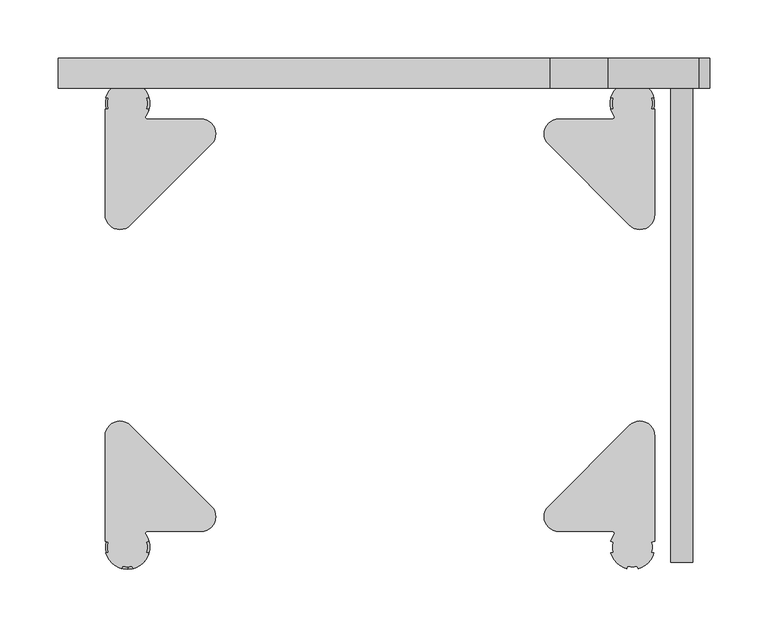
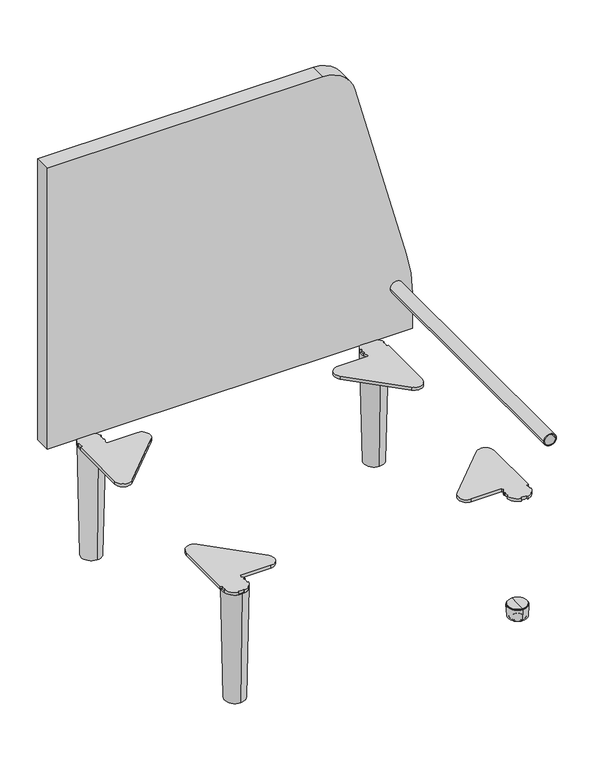
"""IFC4 building model written with IfcOpenShell, lengths in millimetres: furniture geometry."""

from ifc_helpers import new_model, si_unit, point, frame, frame_2d, origin, place, context, project, spatial, polyline, circle_curve, ellipse_curve, trimmed, segment, composite_curve, outline, extrude, source, transform, mapped, element, save
from ifc_brep_helpers import plane_surface, cylinder_surface, revolved_surface, advanced_brep


def furniture_c6473f84(model_context):
    return source(origin(), model_context, "Body", "SolidModel", [
        advanced_brep(
        [(-204.0789395, -176.715, 203.6953), (-158.06, -176.715, 203.6953), (-149.0797439, -155.0347439, 203.6953), (-218.2947439, -85.8197439, 203.6953), (-239.975, -94.8, 203.6953), (-239.975, -185.0280111, 203.6953), (-237.2041586, -185.739393, 203.6953), (-237.2041586, -194.360607, 203.6953), (-239.3445966, -194.9101401, 203.6953), (-225.7851401, -208.4695966, 203.6953), (-225.235607, -206.3291586, 203.6953), (-216.614393, -206.3291586, 203.6953), (-216.0648599, -208.4695966, 203.6953), (-202.5054034, -194.9101401, 203.6953), (-204.6458414, -194.360607, 203.6953), (-204.6458414, -185.739393, 203.6953), (-202.5054034, -185.1898599, 203.6953), (-205.3277049, -179.1125924, 203.6953), (-204.0789395, -176.715, 199.1233), (-205.3250129, -179.1107047, 199.1233), (-202.5054034, -185.1898599, 199.1233), (-204.6458414, -185.739393, 199.1233), (-204.6458414, -194.360607, 199.1233), (-202.5054034, -194.9101401, 199.1233), (-216.0648599, -208.4695966, 199.1233), (-216.614393, -206.3291586, 199.1233), (-225.235607, -206.3291586, 199.1233), (-225.7851401, -208.4695966, 199.1233), (-239.3445966, -194.9101401, 199.1233), (-237.2041586, -194.360607, 199.1233), (-237.2041586, -185.739393, 199.1233), (-239.975, -185.0280111, 199.1233), (-239.975, -94.8, 199.1233), (-218.2947439, -85.8197439, 199.1233), (-149.0797439, -155.0347439, 199.1233), (-158.06, -176.715, 199.1233)],
        [
            (0, 1),
            (1, 2, circle_curve(frame((-158.06, -164.015, 203.6953), z_axis=(0.0, 0.0, 1.0), x_axis=(-1.0, 0.0, 0.0)), 12.7)),
            (2, 3),
            (3, 4, circle_curve(frame((-227.275, -94.8, 203.6953), z_axis=(0.0, 0.0, 1.0), x_axis=(-1.0, 0.0, 0.0)), 12.7)),
            (4, 5),
            (5, 6),
            (6, 7, circle_curve(frame((-221.6361626, -190.05, 203.6953), z_axis=(0.0, 0.0, 1.0), x_axis=(-1.0, 0.0, 0.0)), 16.1537559)),
            (7, 8),
            (8, 9, circle_curve(frame((-220.925, -190.05, 203.6953), z_axis=(0.0, 0.0, 1.0), x_axis=(-1.0, 0.0, 0.0)), 19.05)),
            (9, 10),
            (10, 11, circle_curve(frame((-220.925, -190.4093804, 203.6953), z_axis=(0.0, 0.0, 1.0), x_axis=(-1.0, 0.0, 0.0)), 16.4930491)),
            (11, 12),
            (12, 13, circle_curve(frame((-220.925, -190.05, 203.6953), z_axis=(0.0, 0.0, 1.0), x_axis=(-1.0, 0.0, 0.0)), 19.05)),
            (13, 14),
            (14, 15, circle_curve(frame((-221.0125158, -190.05, 203.6953), z_axis=(0.0, 0.0, 1.0), x_axis=(-1.0, 0.0, 0.0)), 16.924815)),
            (15, 16),
            (16, 17, circle_curve(frame((-220.925, -190.05, 203.6953), z_axis=(0.0, 0.0, 1.0), x_axis=(-1.0, 0.0, 0.0)), 19.05)),
            (17, 0, circle_curve(frame((-204.0789395, -178.2369113, 203.6953), z_axis=(0.0, 0.0, -1.0), x_axis=(-1.0, 0.0, 0.0)), 1.5219113)),
            (18, 19, circle_curve(frame((-204.0789395, -178.2369113, 199.1233), z_axis=(0.0, 0.0, 1.0), x_axis=(-1.0, 0.0, 0.0)), 1.5219113)),
            (19, 20, circle_curve(frame((-220.925, -190.05, 199.1233), z_axis=(0.0, 0.0, -1.0), x_axis=(-1.0, 0.0, 0.0)), 19.05)),
            (20, 21),
            (21, 22, circle_curve(frame((-221.0125158, -190.05, 199.1233), z_axis=(0.0, 0.0, -1.0), x_axis=(-1.0, 0.0, 0.0)), 16.924815)),
            (22, 23),
            (23, 24, circle_curve(frame((-220.925, -190.05, 199.1233), z_axis=(0.0, 0.0, -1.0), x_axis=(-1.0, 0.0, 0.0)), 19.05)),
            (24, 25),
            (25, 26, circle_curve(frame((-220.925, -190.4093804, 199.1233), z_axis=(0.0, 0.0, -1.0), x_axis=(-1.0, 0.0, 0.0)), 16.4930491)),
            (26, 27),
            (27, 28, circle_curve(frame((-220.925, -190.05, 199.1233), z_axis=(0.0, 0.0, -1.0), x_axis=(-1.0, 0.0, 0.0)), 19.05)),
            (28, 29),
            (29, 30, circle_curve(frame((-221.6361626, -190.05, 199.1233), z_axis=(0.0, 0.0, -1.0), x_axis=(-1.0, 0.0, 0.0)), 16.1537559)),
            (30, 31),
            (31, 32),
            (32, 33, circle_curve(frame((-227.275, -94.8, 199.1233), z_axis=(0.0, 0.0, -1.0), x_axis=(-1.0, 0.0, 0.0)), 12.7)),
            (33, 34),
            (34, 35, circle_curve(frame((-158.06, -164.015, 199.1233), z_axis=(0.0, 0.0, -1.0), x_axis=(-1.0, 0.0, 0.0)), 12.7)),
            (35, 18),
            (0, 18),
            (35, 1),
            (34, 2),
            (33, 3),
            (32, 4),
            (31, 5),
            (30, 6),
            (29, 7),
            (28, 8),
            (27, 9),
            (26, 10),
            (25, 11),
            (24, 12),
            (23, 13),
            (22, 14),
            (21, 15),
            (20, 16),
            (19, 17),
        ],
        [
            plane_surface(frame((-158.06, -176.715, 203.6953), z_axis=(0.0, 0.0, 1.0), x_axis=(1.0, 0.0, 0.0))),
            plane_surface(frame((-158.06, -176.715, 199.1233), z_axis=(0.0, 0.0, -1.0), x_axis=(-1.0, 0.0, 0.0))),
            plane_surface(frame((-204.0789395, -176.715, 203.6953), z_axis=(0.0, -1.0, 0.0), x_axis=(0.0, 0.0, -1.0))),
            cylinder_surface(frame((-158.06, -164.015, 199.1233), z_axis=(0.0, 0.0, 1.0), x_axis=(-1.0, 0.0, 0.0)), 12.7),
            plane_surface(frame((-149.0797439, -155.0347439, 203.6953), z_axis=(0.7071067811865474, 0.7071067811865477, 0.0), x_axis=(0.0, 0.0, -1.0))),
            cylinder_surface(frame((-227.275, -94.8, 199.1233), z_axis=(0.0, 0.0, 1.0), x_axis=(-1.0, 0.0, 0.0)), 12.7),
            plane_surface(frame((-239.975, -94.8, 203.6953), z_axis=(-1.0, 0.0, 0.0), x_axis=(0.0, 0.0, -1.0))),
            plane_surface(frame((-239.975, -185.0280111, 203.6953), z_axis=(-0.24867374007676782, -0.968587306852734, 0.0), x_axis=(0.0, 0.0, -1.0))),
            cylinder_surface(frame((-221.6361626, -190.05, 199.1233), z_axis=(0.0, 0.0, 1.0), x_axis=(-1.0, 0.0, 0.0)), 16.1537559),
            plane_surface(frame((-237.2041586, -194.360607, 203.6953), z_axis=(-0.24867373997649506, 0.9685873068784778, 0.0), x_axis=(0.0, 0.0, -1.0))),
            cylinder_surface(frame((-220.925, -190.05, 199.1233), z_axis=(0.0, 0.0, 1.0), x_axis=(-1.0, 0.0, 0.0)), 19.05),
            plane_surface(frame((-225.7851401, -208.4695966, 203.6953), z_axis=(0.9685873068784918, -0.2486737399764409, 0.0), x_axis=(0.0, 0.0, -1.0))),
            cylinder_surface(frame((-220.925, -190.4093804, 199.1233), z_axis=(0.0, 0.0, 1.0), x_axis=(-1.0, 0.0, 0.0)), 16.4930491),
            plane_surface(frame((-216.614393, -206.3291586, 203.6953), z_axis=(-0.9685873068784806, -0.248673739976484, 0.0), x_axis=(0.0, 0.0, -1.0))),
            plane_surface(frame((-202.5054034, -194.9101401, 203.6953), z_axis=(0.248673739976484, 0.9685873068784806, 0.0), x_axis=(0.0, 0.0, -1.0))),
            cylinder_surface(frame((-221.0125158, -190.05, 199.1233), z_axis=(0.0, 0.0, 1.0), x_axis=(-1.0, 0.0, 0.0)), 16.924815),
            plane_surface(frame((-204.6458414, -185.739393, 203.6953), z_axis=(0.2486737399764877, -0.9685873068784797, 0.0), x_axis=(0.0, 0.0, -1.0))),
            revolved_surface(polyline([(-205.6008508, -178.2369113, 199.1233), (-205.6008508, -178.2369113, 203.6953)]), (-204.0789395, -178.2369113, 199.1233), (0.0, 0.0, -1.0)),
        ],
        [
            (0, [[1, 2, 3, 4, 5, 6, 7, 8, 9, 10, 11, 12, 13, 14, 15, 16, 17, 18]]),
            (1, [[19, 20, 21, 22, 23, 24, 25, 26, 27, 28, 29, 30, 31, 32, 33, 34, 35, 36]]),
            (2, [[-1, 37, -36, 38]]),
            (3, [[-2, -38, -35, 39]]),
            (4, [[-3, -39, -34, 40]]),
            (5, [[-4, -40, -33, 41]]),
            (6, [[-5, -41, -32, 42]]),
            (7, [[-6, -42, -31, 43]]),
            (8, [[-7, -43, -30, 44]]),
            (9, [[-8, -44, -29, 45]]),
            (10, [[-9, -45, -28, 46]]),
            (11, [[-10, -46, -27, 47]]),
            (12, [[-11, -47, -26, 48]]),
            (13, [[-12, -48, -25, 49]]),
            (10, [[-13, -49, -24, 50]]),
            (14, [[-14, -50, -23, 51]]),
            (15, [[-15, -51, -22, 52]]),
            (16, [[-16, -52, -21, 53]]),
            (10, [[-17, -53, -20, 54]]),
            (17, [[-18, -54, -19, -37]]),
        ],
    ),
        advanced_brep(
        [(-204.0789395, 176.715, 203.6953), (-205.3250129, 179.1107047, 203.6953), (-202.5054034, 185.1898599, 203.6953), (-204.6458414, 185.739393, 203.6953), (-204.6458414, 194.360607, 203.6953), (-202.5054034, 194.9101401, 203.6953), (-216.0648599, 208.4695966, 203.6953), (-216.614393, 206.3291586, 203.6953), (-225.235607, 206.3291586, 203.6953), (-225.7851401, 208.4695966, 203.6953), (-239.3445966, 194.9101401, 203.6953), (-237.2041586, 194.360607, 203.6953), (-237.2041586, 185.739393, 203.6953), (-239.975, 185.0280111, 203.6953), (-239.975, 94.8, 203.6953), (-218.2947439, 85.8197439, 203.6953), (-149.0797439, 155.0347439, 203.6953), (-158.06, 176.715, 203.6953), (-204.0789395, 176.715, 199.1233), (-158.06, 176.715, 199.1233), (-149.0797439, 155.0347439, 199.1233), (-218.2947439, 85.8197439, 199.1233), (-239.975, 94.8, 199.1233), (-239.975, 185.0280111, 199.1233), (-237.2041586, 185.739393, 199.1233), (-237.2041586, 194.360607, 199.1233), (-239.3445966, 194.9101401, 199.1233), (-225.7851401, 208.4695966, 199.1233), (-225.235607, 206.3291586, 199.1233), (-216.614393, 206.3291586, 199.1233), (-216.0648599, 208.4695966, 199.1233), (-202.5054034, 194.9101401, 199.1233), (-204.6458414, 194.360607, 199.1233), (-204.6458414, 185.739393, 199.1233), (-202.5054034, 185.1898599, 199.1233), (-205.3277049, 179.1125924, 199.1233)],
        [
            (0, 1, circle_curve(frame((-204.0789395, 178.2369113, 203.6953), z_axis=(0.0, 0.0, -1.0), x_axis=(-1.0, 0.0, 0.0)), 1.5219113)),
            (1, 2, circle_curve(frame((-220.925, 190.05, 203.6953), z_axis=(0.0, 0.0, 1.0), x_axis=(-1.0, 0.0, 0.0)), 19.05)),
            (2, 3),
            (3, 4, circle_curve(frame((-221.0125158, 190.05, 203.6953), z_axis=(0.0, 0.0, 1.0), x_axis=(-1.0, 0.0, 0.0)), 16.924815)),
            (4, 5),
            (5, 6, circle_curve(frame((-220.925, 190.05, 203.6953), z_axis=(0.0, 0.0, 1.0), x_axis=(-1.0, 0.0, 0.0)), 19.05)),
            (6, 7),
            (7, 8, circle_curve(frame((-220.925, 190.4093804, 203.6953), z_axis=(0.0, 0.0, 1.0), x_axis=(-1.0, 0.0, 0.0)), 16.4930491)),
            (8, 9),
            (9, 10, circle_curve(frame((-220.925, 190.05, 203.6953), z_axis=(0.0, 0.0, 1.0), x_axis=(-1.0, 0.0, 0.0)), 19.05)),
            (10, 11),
            (11, 12, circle_curve(frame((-221.6361626, 190.05, 203.6953), z_axis=(0.0, 0.0, 1.0), x_axis=(-1.0, 0.0, 0.0)), 16.1537559)),
            (12, 13),
            (13, 14),
            (14, 15, circle_curve(frame((-227.275, 94.8, 203.6953), z_axis=(0.0, 0.0, 1.0), x_axis=(-1.0, 0.0, 0.0)), 12.7)),
            (15, 16),
            (16, 17, circle_curve(frame((-158.06, 164.015, 203.6953), z_axis=(0.0, 0.0, 1.0), x_axis=(-1.0, 0.0, 0.0)), 12.7)),
            (17, 0),
            (18, 19),
            (19, 20, circle_curve(frame((-158.06, 164.015, 199.1233), z_axis=(0.0, 0.0, -1.0), x_axis=(-1.0, 0.0, 0.0)), 12.7)),
            (20, 21),
            (21, 22, circle_curve(frame((-227.275, 94.8, 199.1233), z_axis=(0.0, 0.0, -1.0), x_axis=(-1.0, 0.0, 0.0)), 12.7)),
            (22, 23),
            (23, 24),
            (24, 25, circle_curve(frame((-221.6361626, 190.05, 199.1233), z_axis=(0.0, 0.0, -1.0), x_axis=(-1.0, 0.0, 0.0)), 16.1537559)),
            (25, 26),
            (26, 27, circle_curve(frame((-220.925, 190.05, 199.1233), z_axis=(0.0, 0.0, -1.0), x_axis=(-1.0, 0.0, 0.0)), 19.05)),
            (27, 28),
            (28, 29, circle_curve(frame((-220.925, 190.4093804, 199.1233), z_axis=(0.0, 0.0, -1.0), x_axis=(-1.0, 0.0, 0.0)), 16.4930491)),
            (29, 30),
            (30, 31, circle_curve(frame((-220.925, 190.05, 199.1233), z_axis=(0.0, 0.0, -1.0), x_axis=(-1.0, 0.0, 0.0)), 19.05)),
            (31, 32),
            (32, 33, circle_curve(frame((-221.0125158, 190.05, 199.1233), z_axis=(0.0, 0.0, -1.0), x_axis=(-1.0, 0.0, 0.0)), 16.924815)),
            (33, 34),
            (34, 35, circle_curve(frame((-220.925, 190.05, 199.1233), z_axis=(0.0, 0.0, -1.0), x_axis=(-1.0, 0.0, 0.0)), 19.05)),
            (35, 18, circle_curve(frame((-204.0789395, 178.2369113, 199.1233), z_axis=(0.0, 0.0, 1.0), x_axis=(-1.0, 0.0, 0.0)), 1.5219113)),
            (17, 19),
            (18, 0),
            (16, 20),
            (15, 21),
            (14, 22),
            (13, 23),
            (12, 24),
            (11, 25),
            (10, 26),
            (9, 27),
            (8, 28),
            (7, 29),
            (6, 30),
            (5, 31),
            (4, 32),
            (3, 33),
            (2, 34),
            (1, 35),
        ],
        [
            plane_surface(frame((-205.6008508, 178.2369113, 203.6953), z_axis=(0.0, 0.0, 1.0), x_axis=(0.0, 1.0, 0.0))),
            plane_surface(frame((-205.6008508, 178.2369113, 199.1233), z_axis=(0.0, 0.0, -1.0), x_axis=(0.0, -1.0, 0.0))),
            plane_surface(frame((-158.06, 176.715, 203.6953), z_axis=(0.0, 1.0, 0.0), x_axis=(0.0, 0.0, -1.0))),
            cylinder_surface(frame((-158.06, 164.015, 199.1233), z_axis=(0.0, 0.0, 1.0), x_axis=(-1.0, 0.0, 0.0)), 12.7),
            plane_surface(frame((-218.2947439, 85.8197439, 203.6953), z_axis=(0.7071067811865474, -0.7071067811865477, 0.0), x_axis=(0.0, 0.0, -1.0))),
            cylinder_surface(frame((-227.275, 94.8, 199.1233), z_axis=(0.0, 0.0, 1.0), x_axis=(-1.0, 0.0, 0.0)), 12.7),
            plane_surface(frame((-239.975, 185.0280111, 203.6953), z_axis=(-1.0, 0.0, 0.0), x_axis=(0.0, 0.0, -1.0))),
            plane_surface(frame((-237.2041586, 185.739393, 203.6953), z_axis=(-0.24867374007676782, 0.968587306852734, 0.0), x_axis=(0.0, 0.0, -1.0))),
            cylinder_surface(frame((-221.6361626, 190.05, 199.1233), z_axis=(0.0, 0.0, 1.0), x_axis=(-1.0, 0.0, 0.0)), 16.1537559),
            plane_surface(frame((-239.3445966, 194.9101401, 203.6953), z_axis=(-0.24867373997649506, -0.9685873068784778, 0.0), x_axis=(0.0, 0.0, -1.0))),
            cylinder_surface(frame((-220.925, 190.05, 199.1233), z_axis=(0.0, 0.0, 1.0), x_axis=(-1.0, 0.0, 0.0)), 19.05),
            plane_surface(frame((-225.235607, 206.3291586, 203.6953), z_axis=(0.9685873068784918, 0.2486737399764409, 0.0), x_axis=(0.0, 0.0, -1.0))),
            cylinder_surface(frame((-220.925, 190.4093804, 199.1233), z_axis=(0.0, 0.0, 1.0), x_axis=(-1.0, 0.0, 0.0)), 16.4930491),
            plane_surface(frame((-216.0648599, 208.4695966, 203.6953), z_axis=(-0.9685873068784806, 0.248673739976484, 0.0), x_axis=(0.0, 0.0, -1.0))),
            plane_surface(frame((-204.6458414, 194.360607, 203.6953), z_axis=(0.248673739976484, -0.9685873068784806, 0.0), x_axis=(0.0, 0.0, -1.0))),
            cylinder_surface(frame((-221.0125158, 190.05, 199.1233), z_axis=(0.0, 0.0, 1.0), x_axis=(-1.0, 0.0, 0.0)), 16.924815),
            plane_surface(frame((-202.5054034, 185.1898599, 203.6953), z_axis=(0.2486737399764877, 0.9685873068784797, 0.0), x_axis=(0.0, 0.0, -1.0))),
            revolved_surface(polyline([(-205.6008508, 178.2369113, 199.1233), (-205.6008508, 178.2369113, 203.6953)]), (-204.0789395, 178.2369113, 199.1233), (0.0, 0.0, -1.0)),
        ],
        [
            (0, [[1, 2, 3, 4, 5, 6, 7, 8, 9, 10, 11, 12, 13, 14, 15, 16, 17, 18]]),
            (1, [[19, 20, 21, 22, 23, 24, 25, 26, 27, 28, 29, 30, 31, 32, 33, 34, 35, 36]]),
            (2, [[-18, 37, -19, 38]]),
            (3, [[-17, 39, -20, -37]]),
            (4, [[-16, 40, -21, -39]]),
            (5, [[-15, 41, -22, -40]]),
            (6, [[-14, 42, -23, -41]]),
            (7, [[-13, 43, -24, -42]]),
            (8, [[-12, 44, -25, -43]]),
            (9, [[-11, 45, -26, -44]]),
            (10, [[-10, 46, -27, -45]]),
            (11, [[-9, 47, -28, -46]]),
            (12, [[-8, 48, -29, -47]]),
            (13, [[-7, 49, -30, -48]]),
            (10, [[-6, 50, -31, -49]]),
            (14, [[-5, 51, -32, -50]]),
            (15, [[-4, 52, -33, -51]]),
            (16, [[-3, 53, -34, -52]]),
            (10, [[-2, 54, -35, -53]]),
            (17, [[-1, -38, -36, -54]]),
        ],
    ),
        advanced_brep(
        [(-220.6, -190.05, 199.1233), (-220.6, -171.1657041, 199.1233), (-220.6, -208.9342959, 199.1233), (-220.6, -174.801956, 21.4249), (-220.6, -205.298044, 21.4249), (-220.6, -190.05, 21.4249)],
        [
            (0, 1),
            (1, 2, circle_curve(frame((-220.6, -190.05, 199.1233), z_axis=(0.0, 0.0, 1.0), x_axis=(0.0, 1.0, 0.0)), 18.8842959)),
            (2, 0),
            (2, 1, circle_curve(frame((-220.6, -190.05, 199.1233), z_axis=(0.0, 0.0, 1.0), x_axis=(0.0, 1.0, 0.0)), 18.8842959)),
            (1, 3),
            (3, 4, circle_curve(frame((-220.6, -190.05, 21.4249), z_axis=(0.0, 0.0, 1.0), x_axis=(0.0, 1.0, 0.0)), 15.248044)),
            (4, 2),
            (4, 3, circle_curve(frame((-220.6, -190.05, 21.4249), z_axis=(0.0, 0.0, 1.0), x_axis=(0.0, 1.0, 0.0)), 15.248044)),
            (3, 5),
            (5, 4),
        ],
        [
            plane_surface(frame((-220.6, -190.05, 199.1233), z_axis=(0.0, 0.0, 1.0), x_axis=(0.0, 1.0, 0.0))),
            revolved_surface(polyline([(-220.6, -174.801956, 21.4249), (-220.6, -171.1657041, 199.1233)]), (-220.6, -190.05, 21.4249), (0.0, 0.0, 1.0)),
            plane_surface(frame((-220.6, -190.05, 21.4249), z_axis=(0.0, 0.0, -1.0), x_axis=(0.0, 1.0, 0.0))),
        ],
        [
            (0, [[1, 2, 3]]),
            (0, [[-3, 4, -1]]),
            (1, [[-2, 5, 6, 7]]),
            (1, [[-4, -7, 8, -5]]),
            (2, [[-6, 9, 10]]),
            (2, [[-8, -10, -9]]),
        ],
    ),
        advanced_brep(
        [(-220.6, 208.9342959, 199.1233), (-220.6, 171.1657041, 199.1233), (-220.6, 190.05, 199.1233), (-220.6, 205.298044, 21.4249), (-220.6, 174.801956, 21.4249), (-220.6, 190.05, 21.4249)],
        [
            (0, 1, circle_curve(frame((-220.6, 190.05, 199.1233), z_axis=(0.0, 0.0, 1.0), x_axis=(0.0, -1.0, 0.0)), 18.8842959)),
            (1, 2),
            (2, 0),
            (1, 0, circle_curve(frame((-220.6, 190.05, 199.1233), z_axis=(0.0, 0.0, 1.0), x_axis=(0.0, -1.0, 0.0)), 18.8842959)),
            (3, 4, circle_curve(frame((-220.6, 190.05, 21.4249), z_axis=(0.0, 0.0, 1.0), x_axis=(0.0, -1.0, 0.0)), 15.248044)),
            (4, 1),
            (0, 3),
            (4, 3, circle_curve(frame((-220.6, 190.05, 21.4249), z_axis=(0.0, 0.0, 1.0), x_axis=(0.0, -1.0, 0.0)), 15.248044)),
            (5, 4),
            (3, 5),
        ],
        [
            plane_surface(frame((-220.6, 190.05, 199.1233), z_axis=(0.0, 0.0, 1.0), x_axis=(0.0, -1.0, 0.0))),
            revolved_surface(polyline([(-220.6, 171.1657041, 199.1233), (-220.6, 174.801956, 21.4249)]), (-220.6, 190.05, 21.4249), (0.0, 0.0, -1.0)),
            plane_surface(frame((-220.6, 190.05, 21.4249), z_axis=(0.0, 0.0, -1.0), x_axis=(0.0, -1.0, 0.0))),
        ],
        [
            (0, [[1, 2, 3]]),
            (0, [[4, -3, -2]]),
            (1, [[5, 6, -1, 7]]),
            (1, [[8, -7, -4, -6]]),
            (2, [[9, -5, 10]]),
            (2, [[-10, -8, -9]]),
        ],
    ),
        advanced_brep(
        [(211.4, -190.05, 1.1063387), (211.4, -183.6209185, 1.1063387), (211.4, -196.4790815, 1.1063387), (211.4, -197.7517786, 0.0), (211.4, -182.3482214, 0.0), (211.4, -179.3507157, 0.0), (211.4, -200.7492843, 0.0), (211.4, -178.2285192, 1.1221965), (211.4, -201.8714808, 1.1221965), (211.4, -177.1720478, 2.38125), (211.4, -202.9279522, 2.38125), (211.4, -175.7859545, 2.38125), (211.4, -204.3140455, 2.38125), (211.4, -174.8608, 20.03425), (211.4, -205.2392, 20.03425), (211.4, -175.6626575, 20.03425), (211.4, -204.4373425, 20.03425), (211.4, -175.8580939, 21.4249), (211.4, -204.2419061, 21.4249), (211.4, -190.05, 21.4249)],
        [
            (0, 1),
            (1, 2, circle_curve(frame((211.4, -190.05, 1.1063387), z_axis=(0.0, 0.0, -1.0), x_axis=(0.0, 1.0, 0.0)), 6.4290815)),
            (2, 0),
            (2, 1, circle_curve(frame((211.4, -190.05, 1.1063387), z_axis=(0.0, 0.0, -1.0), x_axis=(0.0, 1.0, 0.0)), 6.4290815)),
            (3, 4, circle_curve(frame((211.4, -190.05, 0.0), z_axis=(0.0, 0.0, 1.0), x_axis=(0.0, 1.0, 0.0)), 7.7017786)),
            (4, 5),
            (5, 6, circle_curve(frame((211.4, -190.05, 0.0), z_axis=(0.0, 0.0, -1.0), x_axis=(0.0, 1.0, 0.0)), 10.6992843)),
            (6, 3),
            (4, 3, circle_curve(frame((211.4, -190.05, 0.0), z_axis=(0.0, 0.0, 1.0), x_axis=(0.0, 1.0, 0.0)), 7.7017786)),
            (6, 5, circle_curve(frame((211.4, -190.05, 0.0), z_axis=(0.0, 0.0, -1.0), x_axis=(0.0, 1.0, 0.0)), 10.6992843)),
            (5, 7, circle_curve(frame((211.4, -179.3507157, 1.1221965), z_axis=(1.0, 0.0, 0.0), x_axis=(0.0, 1.0, 0.0)), 1.1221965)),
            (7, 8, circle_curve(frame((211.4, -190.05, 1.1221965), z_axis=(0.0, 0.0, -1.0), x_axis=(0.0, 1.0, 0.0)), 11.8214808)),
            (8, 6, circle_curve(frame((211.4, -200.7492843, 1.1221965), z_axis=(1.0, 0.0, 0.0), x_axis=(0.0, -1.0, 0.0)), 1.1221965)),
            (8, 7, circle_curve(frame((211.4, -190.05, 1.1221965), z_axis=(0.0, 0.0, -1.0), x_axis=(0.0, 1.0, 0.0)), 11.8214808)),
            (7, 9, circle_curve(frame((211.4, -177.0588716, 1.2135148), z_axis=(-1.0, 0.0, 0.0), x_axis=(0.0, 1.0, 0.0)), 1.1732069)),
            (9, 10, circle_curve(frame((211.4, -190.05, 2.38125), z_axis=(0.0, 0.0, -1.0), x_axis=(0.0, 1.0, 0.0)), 12.8779522)),
            (10, 8, circle_curve(frame((211.4, -203.0411284, 1.2135148), z_axis=(-1.0, 0.0, 0.0), x_axis=(0.0, -1.0, 0.0)), 1.1732069)),
            (10, 9, circle_curve(frame((211.4, -190.05, 2.38125), z_axis=(0.0, 0.0, -1.0), x_axis=(0.0, 1.0, 0.0)), 12.8779522)),
            (9, 11),
            (11, 12, circle_curve(frame((211.4, -190.05, 2.38125), z_axis=(0.0, 0.0, -1.0), x_axis=(0.0, 1.0, 0.0)), 14.2640455)),
            (12, 10),
            (12, 11, circle_curve(frame((211.4, -190.05, 2.38125), z_axis=(0.0, 0.0, -1.0), x_axis=(0.0, 1.0, 0.0)), 14.2640455)),
            (11, 13),
            (13, 14, circle_curve(frame((211.4, -190.05, 20.03425), z_axis=(0.0, 0.0, -1.0), x_axis=(0.0, 1.0, 0.0)), 15.1892)),
            (14, 12),
            (14, 13, circle_curve(frame((211.4, -190.05, 20.03425), z_axis=(0.0, 0.0, -1.0), x_axis=(0.0, 1.0, 0.0)), 15.1892)),
            (1, 4, circle_curve(frame((211.4, -182.0885284, 1.5839472), z_axis=(1.0, 0.0, 0.0), x_axis=(0.0, 1.0, 0.0)), 1.6050948)),
            (3, 2, circle_curve(frame((211.4, -198.0114716, 1.5839472), z_axis=(1.0, 0.0, 0.0), x_axis=(0.0, -1.0, 0.0)), 1.6050948)),
            (13, 15),
            (15, 16, circle_curve(frame((211.4, -190.05, 20.03425), z_axis=(0.0, 0.0, -1.0), x_axis=(0.0, 1.0, 0.0)), 14.3873425)),
            (16, 14),
            (16, 15, circle_curve(frame((211.4, -190.05, 20.03425), z_axis=(0.0, 0.0, -1.0), x_axis=(0.0, 1.0, 0.0)), 14.3873425)),
            (15, 17),
            (17, 18, circle_curve(frame((211.4, -190.05, 21.4249), z_axis=(0.0, 0.0, -1.0), x_axis=(0.0, 1.0, 0.0)), 14.1919061)),
            (18, 16),
            (18, 17, circle_curve(frame((211.4, -190.05, 21.4249), z_axis=(0.0, 0.0, -1.0), x_axis=(0.0, 1.0, 0.0)), 14.1919061)),
            (17, 19),
            (19, 18),
        ],
        [
            plane_surface(frame((211.4, -190.05, 1.1063387), z_axis=(0.0, 0.0, -1.0), x_axis=(0.0, 1.0, 0.0))),
            plane_surface(frame((211.4, -190.05, 0.0), z_axis=(0.0, 0.0, -1.0), x_axis=(0.0, 1.0, 0.0))),
            revolved_surface(trimmed(ellipse_curve(frame((211.4, -179.3507157, 1.1221965), z_axis=(-1.0, 0.0, 0.0), x_axis=(0.0, 1.0, 0.0)), 1.1221965, 1.1221965), [point((211.4, -178.2285192, 1.1221965))], [point((211.4, -179.3507157, 0.0))], True, "CARTESIAN"), (211.4, -190.05, -21.4985456), (0.0, 0.0, -1.0)),
            revolved_surface(trimmed(ellipse_curve(frame((211.4, -177.0588716, 1.2135148), z_axis=(1.0, 0.0, 0.0), x_axis=(0.0, 1.0, 0.0)), 1.1732069, 1.1732069), [point((211.4, -177.1720478, 2.38125))], [point((211.4, -178.2285192, 1.1221965))], True, "CARTESIAN"), (211.4, -190.05, -21.4985456), (0.0, 0.0, -1.0)),
            plane_surface(frame((211.4, -190.05, 2.38125), z_axis=(0.0, 0.0, -1.0), x_axis=(0.0, 1.0, 0.0))),
            revolved_surface(polyline([(211.4, -174.8608, 20.03425), (211.4, -175.7859545, 2.38125)]), (211.4, -190.05, -21.4985456), (0.0, 0.0, -1.0)),
            revolved_surface(trimmed(ellipse_curve(frame((211.4, -182.0885284, 1.5839472), z_axis=(-1.0, 0.0, 0.0), x_axis=(0.0, 1.0, 0.0)), 1.6050948, 1.6050948), [point((211.4, -182.3482214, 0.0))], [point((211.4, -183.6209185, 1.1063387))], True, "CARTESIAN"), (211.4, -190.05, -21.4985456), (0.0, 0.0, -1.0)),
            plane_surface(frame((211.4, -190.05, 20.03425), z_axis=(0.0, 0.0, 1.0), x_axis=(0.0, 1.0, 0.0))),
            revolved_surface(polyline([(211.4, -175.8580939, 21.4249), (211.4, -175.6626575, 20.03425)]), (211.4, -190.05, -21.4985456), (0.0, 0.0, -1.0)),
            plane_surface(frame((211.4, -190.05, 21.4249), z_axis=(0.0, 0.0, 1.0), x_axis=(0.0, 1.0, 0.0))),
        ],
        [
            (0, [[1, 2, 3]]),
            (0, [[-3, 4, -1]]),
            (1, [[5, 6, 7, 8]]),
            (1, [[9, -8, 10, -6]]),
            (2, [[-7, 11, 12, 13]]),
            (2, [[-10, -13, 14, -11]]),
            (3, [[-12, 15, 16, 17]]),
            (3, [[-14, -17, 18, -15]]),
            (4, [[-16, 19, 20, 21]]),
            (4, [[-18, -21, 22, -19]]),
            (5, [[-20, 23, 24, 25]]),
            (5, [[-22, -25, 26, -23]]),
            (6, [[-2, 27, -5, 28]]),
            (6, [[-4, -28, -9, -27]]),
            (7, [[-24, 29, 30, 31]]),
            (7, [[-26, -31, 32, -29]]),
            (8, [[-30, 33, 34, 35]]),
            (8, [[-32, -35, 36, -33]]),
            (9, [[-34, 37, 38]]),
            (9, [[-36, -38, -37]]),
        ],
    ),
        advanced_brep(
        [(194.5539395, -176.715, 203.6953), (195.8000129, -179.1107047, 203.6953), (192.9804034, -185.1898599, 203.6953), (195.1208414, -185.739393, 203.6953), (195.1208414, -194.360607, 203.6953), (192.9804034, -194.9101401, 203.6953), (206.5398599, -208.4695966, 203.6953), (207.089393, -206.3291586, 203.6953), (215.710607, -206.3291586, 203.6953), (216.2601401, -208.4695966, 203.6953), (229.8195966, -194.9101401, 203.6953), (227.6791586, -194.360607, 203.6953), (227.6791586, -185.739393, 203.6953), (230.45, -185.0280111, 203.6953), (230.45, -94.8, 203.6953), (208.7697439, -85.8197439, 203.6953), (139.5547439, -155.0347439, 203.6953), (148.535, -176.715, 203.6953), (194.5539395, -176.715, 199.1233), (148.535, -176.715, 199.1233), (139.5547439, -155.0347439, 199.1233), (208.7697439, -85.8197439, 199.1233), (230.45, -94.8, 199.1233), (230.45, -185.0280111, 199.1233), (227.6791586, -185.739393, 199.1233), (227.6791586, -194.360607, 199.1233), (229.8195966, -194.9101401, 199.1233), (216.2601401, -208.4695966, 199.1233), (215.710607, -206.3291586, 199.1233), (207.089393, -206.3291586, 199.1233), (206.5398599, -208.4695966, 199.1233), (192.9804034, -194.9101401, 199.1233), (195.1208414, -194.360607, 199.1233), (195.1208414, -185.739393, 199.1233), (192.9804034, -185.1898599, 199.1233), (195.8027049, -179.1125924, 199.1233)],
        [
            (0, 1, circle_curve(frame((194.5539395, -178.2369113, 203.6953), z_axis=(0.0, 0.0, -1.0), x_axis=(1.0, 0.0, 0.0)), 1.5219113)),
            (1, 2, circle_curve(frame((211.4, -190.05, 203.6953), z_axis=(0.0, 0.0, 1.0), x_axis=(1.0, 0.0, 0.0)), 19.05)),
            (2, 3),
            (3, 4, circle_curve(frame((211.4875158, -190.05, 203.6953), z_axis=(0.0, 0.0, 1.0), x_axis=(1.0, 0.0, 0.0)), 16.924815)),
            (4, 5),
            (5, 6, circle_curve(frame((211.4, -190.05, 203.6953), z_axis=(0.0, 0.0, 1.0), x_axis=(1.0, 0.0, 0.0)), 19.05)),
            (6, 7),
            (7, 8, circle_curve(frame((211.4, -190.4093804, 203.6953), z_axis=(0.0, 0.0, 1.0), x_axis=(1.0, 0.0, 0.0)), 16.4930491)),
            (8, 9),
            (9, 10, circle_curve(frame((211.4, -190.05, 203.6953), z_axis=(0.0, 0.0, 1.0), x_axis=(1.0, 0.0, 0.0)), 19.05)),
            (10, 11),
            (11, 12, circle_curve(frame((212.1111626, -190.05, 203.6953), z_axis=(0.0, 0.0, 1.0), x_axis=(1.0, 0.0, 0.0)), 16.1537559)),
            (12, 13),
            (13, 14),
            (14, 15, circle_curve(frame((217.75, -94.8, 203.6953), z_axis=(0.0, 0.0, 1.0), x_axis=(1.0, 0.0, 0.0)), 12.7)),
            (15, 16),
            (16, 17, circle_curve(frame((148.535, -164.015, 203.6953), z_axis=(0.0, 0.0, 1.0), x_axis=(1.0, 0.0, 0.0)), 12.7)),
            (17, 0),
            (18, 19),
            (19, 20, circle_curve(frame((148.535, -164.015, 199.1233), z_axis=(0.0, 0.0, -1.0), x_axis=(1.0, 0.0, 0.0)), 12.7)),
            (20, 21),
            (21, 22, circle_curve(frame((217.75, -94.8, 199.1233), z_axis=(0.0, 0.0, -1.0), x_axis=(1.0, 0.0, 0.0)), 12.7)),
            (22, 23),
            (23, 24),
            (24, 25, circle_curve(frame((212.1111626, -190.05, 199.1233), z_axis=(0.0, 0.0, -1.0), x_axis=(1.0, 0.0, 0.0)), 16.1537559)),
            (25, 26),
            (26, 27, circle_curve(frame((211.4, -190.05, 199.1233), z_axis=(0.0, 0.0, -1.0), x_axis=(1.0, 0.0, 0.0)), 19.05)),
            (27, 28),
            (28, 29, circle_curve(frame((211.4, -190.4093804, 199.1233), z_axis=(0.0, 0.0, -1.0), x_axis=(1.0, 0.0, 0.0)), 16.4930491)),
            (29, 30),
            (30, 31, circle_curve(frame((211.4, -190.05, 199.1233), z_axis=(0.0, 0.0, -1.0), x_axis=(1.0, 0.0, 0.0)), 19.05)),
            (31, 32),
            (32, 33, circle_curve(frame((211.4875158, -190.05, 199.1233), z_axis=(0.0, 0.0, -1.0), x_axis=(1.0, 0.0, 0.0)), 16.924815)),
            (33, 34),
            (34, 35, circle_curve(frame((211.4, -190.05, 199.1233), z_axis=(0.0, 0.0, -1.0), x_axis=(1.0, 0.0, 0.0)), 19.05)),
            (35, 18, circle_curve(frame((194.5539395, -178.2369113, 199.1233), z_axis=(0.0, 0.0, 1.0), x_axis=(1.0, 0.0, 0.0)), 1.5219113)),
            (17, 19),
            (18, 0),
            (16, 20),
            (15, 21),
            (14, 22),
            (13, 23),
            (12, 24),
            (11, 25),
            (10, 26),
            (9, 27),
            (8, 28),
            (7, 29),
            (6, 30),
            (5, 31),
            (4, 32),
            (3, 33),
            (2, 34),
            (1, 35),
        ],
        [
            plane_surface(frame((196.0758508, -178.2369113, 203.6953), z_axis=(0.0, 0.0, 1.0), x_axis=(0.0, -1.0, 0.0))),
            plane_surface(frame((196.0758508, -178.2369113, 199.1233), z_axis=(0.0, 0.0, -1.0), x_axis=(0.0, 1.0, 0.0))),
            plane_surface(frame((148.535, -176.715, 203.6953), z_axis=(0.0, -1.0, 0.0), x_axis=(0.0, 0.0, -1.0))),
            cylinder_surface(frame((148.535, -164.015, 199.1233), z_axis=(0.0, 0.0, 1.0), x_axis=(1.0, 0.0, 0.0)), 12.7),
            plane_surface(frame((208.7697439, -85.8197439, 203.6953), z_axis=(-0.7071067811865476, 0.7071067811865476, 0.0), x_axis=(0.0, 0.0, -1.0))),
            cylinder_surface(frame((217.75, -94.8, 199.1233), z_axis=(0.0, 0.0, 1.0), x_axis=(1.0, 0.0, 0.0)), 12.7),
            plane_surface(frame((230.45, -185.0280111, 203.6953), z_axis=(1.0, 0.0, 0.0), x_axis=(0.0, 0.0, -1.0))),
            plane_surface(frame((227.6791586, -185.739393, 203.6953), z_axis=(0.24867374007676782, -0.968587306852734, 0.0), x_axis=(0.0, 0.0, -1.0))),
            cylinder_surface(frame((212.1111626, -190.05, 199.1233), z_axis=(0.0, 0.0, 1.0), x_axis=(1.0, 0.0, 0.0)), 16.1537559),
            plane_surface(frame((229.8195966, -194.9101401, 203.6953), z_axis=(0.24867373997649506, 0.9685873068784778, 0.0), x_axis=(0.0, 0.0, -1.0))),
            cylinder_surface(frame((211.4, -190.05, 199.1233), z_axis=(0.0, 0.0, 1.0), x_axis=(1.0, 0.0, 0.0)), 19.05),
            plane_surface(frame((215.710607, -206.3291586, 203.6953), z_axis=(-0.9685873068784918, -0.2486737399764409, 0.0), x_axis=(0.0, 0.0, -1.0))),
            cylinder_surface(frame((211.4, -190.4093804, 199.1233), z_axis=(0.0, 0.0, 1.0), x_axis=(1.0, 0.0, 0.0)), 16.4930491),
            plane_surface(frame((206.5398599, -208.4695966, 203.6953), z_axis=(0.9685873068784806, -0.248673739976484, 0.0), x_axis=(0.0, 0.0, -1.0))),
            plane_surface(frame((195.1208414, -194.360607, 203.6953), z_axis=(-0.248673739976484, 0.9685873068784806, 0.0), x_axis=(0.0, 0.0, -1.0))),
            cylinder_surface(frame((211.4875158, -190.05, 199.1233), z_axis=(0.0, 0.0, 1.0), x_axis=(1.0, 0.0, 0.0)), 16.924815),
            plane_surface(frame((192.9804034, -185.1898599, 203.6953), z_axis=(-0.2486737399764877, -0.9685873068784797, 0.0), x_axis=(0.0, 0.0, -1.0))),
            revolved_surface(polyline([(196.0758508, -178.2369113, 199.1233), (196.0758508, -178.2369113, 203.6953)]), (194.5539395, -178.2369113, 199.1233), (0.0, 0.0, -1.0)),
        ],
        [
            (0, [[1, 2, 3, 4, 5, 6, 7, 8, 9, 10, 11, 12, 13, 14, 15, 16, 17, 18]]),
            (1, [[19, 20, 21, 22, 23, 24, 25, 26, 27, 28, 29, 30, 31, 32, 33, 34, 35, 36]]),
            (2, [[-18, 37, -19, 38]]),
            (3, [[-17, 39, -20, -37]]),
            (4, [[-16, 40, -21, -39]]),
            (5, [[-15, 41, -22, -40]]),
            (6, [[-14, 42, -23, -41]]),
            (7, [[-13, 43, -24, -42]]),
            (8, [[-12, 44, -25, -43]]),
            (9, [[-11, 45, -26, -44]]),
            (10, [[-10, 46, -27, -45]]),
            (11, [[-9, 47, -28, -46]]),
            (12, [[-8, 48, -29, -47]]),
            (13, [[-7, 49, -30, -48]]),
            (10, [[-6, 50, -31, -49]]),
            (14, [[-5, 51, -32, -50]]),
            (15, [[-4, 52, -33, -51]]),
            (16, [[-3, 53, -34, -52]]),
            (10, [[-2, 54, -35, -53]]),
            (17, [[-1, -38, -36, -54]]),
        ],
    ),
        advanced_brep(
        [(211.4, 190.05, 199.1233), (211.4, 171.1657041, 199.1233), (211.4, 208.9342959, 199.1233), (211.4, 174.801956, 21.4249), (211.4, 205.298044, 21.4249), (211.4, 190.05, 21.4249)],
        [
            (0, 1),
            (1, 2, circle_curve(frame((211.4, 190.05, 199.1233), z_axis=(0.0, 0.0, 1.0), x_axis=(0.0, -1.0, 0.0)), 18.8842959)),
            (2, 0),
            (2, 1, circle_curve(frame((211.4, 190.05, 199.1233), z_axis=(0.0, 0.0, 1.0), x_axis=(0.0, -1.0, 0.0)), 18.8842959)),
            (1, 3),
            (3, 4, circle_curve(frame((211.4, 190.05, 21.4249), z_axis=(0.0, 0.0, 1.0), x_axis=(0.0, -1.0, 0.0)), 15.248044)),
            (4, 2),
            (4, 3, circle_curve(frame((211.4, 190.05, 21.4249), z_axis=(0.0, 0.0, 1.0), x_axis=(0.0, -1.0, 0.0)), 15.248044)),
            (3, 5),
            (5, 4),
        ],
        [
            plane_surface(frame((211.4, 190.05, 199.1233), z_axis=(0.0, 0.0, 1.0), x_axis=(0.0, -1.0, 0.0))),
            revolved_surface(polyline([(211.4, 174.801956, 21.4249), (211.4, 171.1657041, 199.1233)]), (211.4, 190.05, 21.4249), (0.0, 0.0, 1.0)),
            plane_surface(frame((211.4, 190.05, 21.4249), z_axis=(0.0, 0.0, -1.0), x_axis=(0.0, -1.0, 0.0))),
        ],
        [
            (0, [[1, 2, 3]]),
            (0, [[-3, 4, -1]]),
            (1, [[-2, 5, 6, 7]]),
            (1, [[-4, -7, 8, -5]]),
            (2, [[-6, 9, 10]]),
            (2, [[-8, -10, -9]]),
        ],
    ),
        advanced_brep(
        [(194.5539395, 176.715, 203.6953), (148.535, 176.715, 203.6953), (139.5547439, 155.0347439, 203.6953), (208.7697439, 85.8197439, 203.6953), (230.45, 94.8, 203.6953), (230.45, 185.0280111, 203.6953), (227.6791586, 185.739393, 203.6953), (227.6791586, 194.360607, 203.6953), (229.8195966, 194.9101401, 203.6953), (216.2601401, 208.4695966, 203.6953), (215.710607, 206.3291586, 203.6953), (207.089393, 206.3291586, 203.6953), (206.5398599, 208.4695966, 203.6953), (192.9804034, 194.9101401, 203.6953), (195.1208414, 194.360607, 203.6953), (195.1208414, 185.739393, 203.6953), (192.9804034, 185.1898599, 203.6953), (195.8027049, 179.1125924, 203.6953), (194.5539395, 176.715, 199.1233), (195.8000129, 179.1107047, 199.1233), (192.9804034, 185.1898599, 199.1233), (195.1208414, 185.739393, 199.1233), (195.1208414, 194.360607, 199.1233), (192.9804034, 194.9101401, 199.1233), (206.5398599, 208.4695966, 199.1233), (207.089393, 206.3291586, 199.1233), (215.710607, 206.3291586, 199.1233), (216.2601401, 208.4695966, 199.1233), (229.8195966, 194.9101401, 199.1233), (227.6791586, 194.360607, 199.1233), (227.6791586, 185.739393, 199.1233), (230.45, 185.0280111, 199.1233), (230.45, 94.8, 199.1233), (208.7697439, 85.8197439, 199.1233), (139.5547439, 155.0347439, 199.1233), (148.535, 176.715, 199.1233)],
        [
            (0, 1),
            (1, 2, circle_curve(frame((148.535, 164.015, 203.6953), z_axis=(0.0, 0.0, 1.0), x_axis=(1.0, 0.0, 0.0)), 12.7)),
            (2, 3),
            (3, 4, circle_curve(frame((217.75, 94.8, 203.6953), z_axis=(0.0, 0.0, 1.0), x_axis=(1.0, 0.0, 0.0)), 12.7)),
            (4, 5),
            (5, 6),
            (6, 7, circle_curve(frame((212.1111626, 190.05, 203.6953), z_axis=(0.0, 0.0, 1.0), x_axis=(1.0, 0.0, 0.0)), 16.1537559)),
            (7, 8),
            (8, 9, circle_curve(frame((211.4, 190.05, 203.6953), z_axis=(0.0, 0.0, 1.0), x_axis=(1.0, 0.0, 0.0)), 19.05)),
            (9, 10),
            (10, 11, circle_curve(frame((211.4, 190.4093804, 203.6953), z_axis=(0.0, 0.0, 1.0), x_axis=(1.0, 0.0, 0.0)), 16.4930491)),
            (11, 12),
            (12, 13, circle_curve(frame((211.4, 190.05, 203.6953), z_axis=(0.0, 0.0, 1.0), x_axis=(1.0, 0.0, 0.0)), 19.05)),
            (13, 14),
            (14, 15, circle_curve(frame((211.4875158, 190.05, 203.6953), z_axis=(0.0, 0.0, 1.0), x_axis=(1.0, 0.0, 0.0)), 16.924815)),
            (15, 16),
            (16, 17, circle_curve(frame((211.4, 190.05, 203.6953), z_axis=(0.0, 0.0, 1.0), x_axis=(1.0, 0.0, 0.0)), 19.05)),
            (17, 0, circle_curve(frame((194.5539395, 178.2369113, 203.6953), z_axis=(0.0, 0.0, -1.0), x_axis=(1.0, 0.0, 0.0)), 1.5219113)),
            (18, 19, circle_curve(frame((194.5539395, 178.2369113, 199.1233), z_axis=(0.0, 0.0, 1.0), x_axis=(1.0, 0.0, 0.0)), 1.5219113)),
            (19, 20, circle_curve(frame((211.4, 190.05, 199.1233), z_axis=(0.0, 0.0, -1.0), x_axis=(1.0, 0.0, 0.0)), 19.05)),
            (20, 21),
            (21, 22, circle_curve(frame((211.4875158, 190.05, 199.1233), z_axis=(0.0, 0.0, -1.0), x_axis=(1.0, 0.0, 0.0)), 16.924815)),
            (22, 23),
            (23, 24, circle_curve(frame((211.4, 190.05, 199.1233), z_axis=(0.0, 0.0, -1.0), x_axis=(1.0, 0.0, 0.0)), 19.05)),
            (24, 25),
            (25, 26, circle_curve(frame((211.4, 190.4093804, 199.1233), z_axis=(0.0, 0.0, -1.0), x_axis=(1.0, 0.0, 0.0)), 16.4930491)),
            (26, 27),
            (27, 28, circle_curve(frame((211.4, 190.05, 199.1233), z_axis=(0.0, 0.0, -1.0), x_axis=(1.0, 0.0, 0.0)), 19.05)),
            (28, 29),
            (29, 30, circle_curve(frame((212.1111626, 190.05, 199.1233), z_axis=(0.0, 0.0, -1.0), x_axis=(1.0, 0.0, 0.0)), 16.1537559)),
            (30, 31),
            (31, 32),
            (32, 33, circle_curve(frame((217.75, 94.8, 199.1233), z_axis=(0.0, 0.0, -1.0), x_axis=(1.0, 0.0, 0.0)), 12.7)),
            (33, 34),
            (34, 35, circle_curve(frame((148.535, 164.015, 199.1233), z_axis=(0.0, 0.0, -1.0), x_axis=(1.0, 0.0, 0.0)), 12.7)),
            (35, 18),
            (0, 18),
            (35, 1),
            (34, 2),
            (33, 3),
            (32, 4),
            (31, 5),
            (30, 6),
            (29, 7),
            (28, 8),
            (27, 9),
            (26, 10),
            (25, 11),
            (24, 12),
            (23, 13),
            (22, 14),
            (21, 15),
            (20, 16),
            (19, 17),
        ],
        [
            plane_surface(frame((148.535, 176.715, 203.6953), z_axis=(0.0, 0.0, 1.0), x_axis=(-1.0, 0.0, 0.0))),
            plane_surface(frame((148.535, 176.715, 199.1233), z_axis=(0.0, 0.0, -1.0), x_axis=(1.0, 0.0, 0.0))),
            plane_surface(frame((194.5539395, 176.715, 203.6953), z_axis=(0.0, 1.0, 0.0), x_axis=(0.0, 0.0, -1.0))),
            cylinder_surface(frame((148.535, 164.015, 199.1233), z_axis=(0.0, 0.0, 1.0), x_axis=(1.0, 0.0, 0.0)), 12.7),
            plane_surface(frame((139.5547439, 155.0347439, 203.6953), z_axis=(-0.7071067811865476, -0.7071067811865476, 0.0), x_axis=(0.0, 0.0, -1.0))),
            cylinder_surface(frame((217.75, 94.8, 199.1233), z_axis=(0.0, 0.0, 1.0), x_axis=(1.0, 0.0, 0.0)), 12.7),
            plane_surface(frame((230.45, 94.8, 203.6953), z_axis=(1.0, 0.0, 0.0), x_axis=(0.0, 0.0, -1.0))),
            plane_surface(frame((230.45, 185.0280111, 203.6953), z_axis=(0.24867374007676782, 0.968587306852734, 0.0), x_axis=(0.0, 0.0, -1.0))),
            cylinder_surface(frame((212.1111626, 190.05, 199.1233), z_axis=(0.0, 0.0, 1.0), x_axis=(1.0, 0.0, 0.0)), 16.1537559),
            plane_surface(frame((227.6791586, 194.360607, 203.6953), z_axis=(0.24867373997649506, -0.9685873068784778, 0.0), x_axis=(0.0, 0.0, -1.0))),
            cylinder_surface(frame((211.4, 190.05, 199.1233), z_axis=(0.0, 0.0, 1.0), x_axis=(1.0, 0.0, 0.0)), 19.05),
            plane_surface(frame((216.2601401, 208.4695966, 203.6953), z_axis=(-0.9685873068784954, 0.24867373997642653, 0.0), x_axis=(0.0, 0.0, -1.0))),
            cylinder_surface(frame((211.4, 190.4093804, 199.1233), z_axis=(0.0, 0.0, 1.0), x_axis=(1.0, 0.0, 0.0)), 16.4930491),
            plane_surface(frame((207.089393, 206.3291586, 203.6953), z_axis=(0.9685873068784806, 0.248673739976484, 0.0), x_axis=(0.0, 0.0, -1.0))),
            plane_surface(frame((192.9804034, 194.9101401, 203.6953), z_axis=(-0.248673739976484, -0.9685873068784806, 0.0), x_axis=(0.0, 0.0, -1.0))),
            cylinder_surface(frame((211.4875158, 190.05, 199.1233), z_axis=(0.0, 0.0, 1.0), x_axis=(1.0, 0.0, 0.0)), 16.924815),
            plane_surface(frame((195.1208414, 185.739393, 203.6953), z_axis=(-0.2486737399764877, 0.9685873068784797, 0.0), x_axis=(0.0, 0.0, -1.0))),
            revolved_surface(polyline([(196.0758508, 178.2369113, 199.1233), (196.0758508, 178.2369113, 203.6953)]), (194.5539395, 178.2369113, 199.1233), (0.0, 0.0, -1.0)),
        ],
        [
            (0, [[1, 2, 3, 4, 5, 6, 7, 8, 9, 10, 11, 12, 13, 14, 15, 16, 17, 18]]),
            (1, [[19, 20, 21, 22, 23, 24, 25, 26, 27, 28, 29, 30, 31, 32, 33, 34, 35, 36]]),
            (2, [[-1, 37, -36, 38]]),
            (3, [[-2, -38, -35, 39]]),
            (4, [[-3, -39, -34, 40]]),
            (5, [[-4, -40, -33, 41]]),
            (6, [[-5, -41, -32, 42]]),
            (7, [[-6, -42, -31, 43]]),
            (8, [[-7, -43, -30, 44]]),
            (9, [[-8, -44, -29, 45]]),
            (10, [[-9, -45, -28, 46]]),
            (11, [[-10, -46, -27, 47]]),
            (12, [[-11, -47, -26, 48]]),
            (13, [[-12, -48, -25, 49]]),
            (10, [[-13, -49, -24, 50]]),
            (14, [[-14, -50, -23, 51]]),
            (15, [[-15, -51, -22, 52]]),
            (16, [[-16, -52, -21, 53]]),
            (10, [[-17, -53, -20, 54]]),
            (17, [[-18, -54, -19, -37]]),
        ],
    ),
        extrude(outline(composite_curve([segment(trimmed(circle_curve(frame_2d((278.6406381, 253.5659729)), 9.525), [point((278.6406381, 244.0409729))], [point((278.6406381, 263.0909729))], False, "CARTESIAN"), True, "CONTINUOUS"), segment(trimmed(circle_curve(frame_2d((278.6406381, 253.5659729)), 9.525), [point((278.6406381, 263.0909729))], [point((278.6406381, 244.0409729))], False, "CARTESIAN"), True, "CONTINUOUS")], self_intersect=False), holes=[composite_curve([segment(trimmed(circle_curve(frame_2d((278.6406381, 253.5659729)), 8.001), [point((278.6406381, 245.5649729))], [point((278.6406381, 261.5669729))], True, "CARTESIAN"), True, "CONTINUOUS"), segment(trimmed(circle_curve(frame_2d((278.6406381, 253.5659729)), 8.001), [point((278.6406381, 261.5669729))], [point((278.6406381, 245.5649729))], True, "CARTESIAN"), True, "CONTINUOUS")], self_intersect=False)]), frame((0.0, -203.2, 0.0), z_axis=(0.0, 1.0, 0.0), x_axis=(0.0, 0.0, 1.0)), (0.0, 0.0, 1.0), 406.4),
        extrude(outline(composite_curve([segment(polyline([(203.6953, -280.0), (203.6953, 277.46), (260.0611763, 277.46)]), True, "CONTINUOUS"), segment(trimmed(circle_curve(frame_2d((260.0611763, 23.46)), 254.0), [point((260.0611763, 277.46))], [point((325.8012138, 268.8051599))], False, "CARTESIAN"), True, "CONTINUOUS"), segment(polyline([(325.8012138, 268.8051599), (619.5033075, 190.107921)]), True, "CONTINUOUS"), segment(trimmed(circle_curve(frame_2d((606.3553, 141.0388891)), 50.8), [point((619.5033075, 190.107921))], [point((657.1553, 141.0388891))], False, "CARTESIAN"), True, "CONTINUOUS"), segment(polyline([(657.1553, 141.0388891), (657.1553, -280.0), (203.6953, -280.0)]), True, "CONTINUOUS")], self_intersect=False)), frame((0.0, 203.2, 0.0), z_axis=(0.0, 1.0, 0.0), x_axis=(0.0, 0.0, 1.0)), (0.0, 0.0, 1.0), 25.4),
    ])


if __name__ == "__main__":
    model = new_model("IFC4")
    model_context = context("Model", 3, world=origin())
    ifc_project = project(units=[si_unit("LENGTHUNIT", "METRE", prefix="MILLI")], contexts=[model_context])
    site = spatial("IfcSite", under=ifc_project)
    building = spatial("IfcBuilding", under=site)
    placement = place(None, origin())
    furniture_shape = furniture_c6473f84(model_context)
    element("IfcFurniture", 1, at=placement, inside=building, context=model_context, shape_type="MappedRepresentation", body=[
        mapped(furniture_shape, transform((0.0, 0.0, 0.0), x_axis=(1.0, 0.0, 0.0), y_axis=(0.0, 1.0, 0.0), z_axis=(0.0, 0.0, 1.0))),
    ])
    save(model, "model.ifc")
